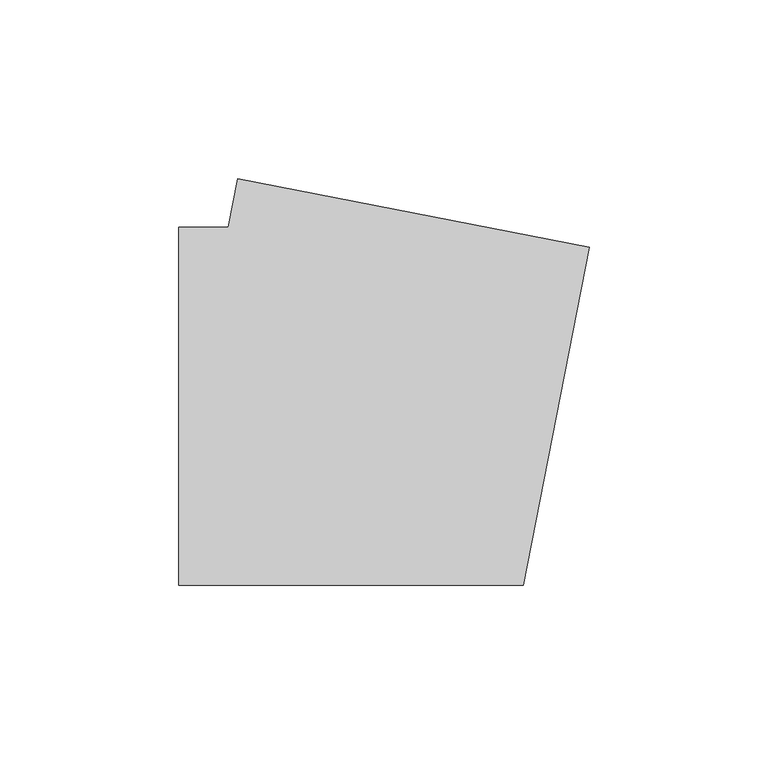
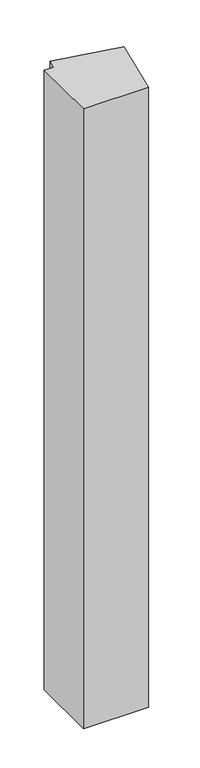
"""IFC4 building model written with IfcOpenShell, lengths in millimetres: member geometry."""

from ifc_helpers import new_model, si_unit, frame, origin, place, context, project, spatial, polyline, outline, extrude, source, transform, mapped, element, save


def member_dd081fa1(model_context):
    return source(origin(), model_context, "Body", "SweptSolid", [
        extrude(outline(polyline([(59.5758539, 44.4490453), (41.2168193, -50.0), (-55.0, -50.0), (-55.0, 50.0), (-41.2168193, 50.0), (-38.5868644, 63.5299449), (59.5758539, 44.4490453)])), frame((0.0, 0.0, -967.0), z_axis=(0.0, 0.0, 1.0), x_axis=(1.0, 0.0, 0.0)), (0.0, 0.0, 1.0), 967.0),
    ])


if __name__ == "__main__":
    model = new_model("IFC4")
    model_context = context("Model", 3, world=origin())
    ifc_project = project(units=[si_unit("LENGTHUNIT", "METRE", prefix="MILLI")], contexts=[model_context])
    site = spatial("IfcSite", under=ifc_project)
    building = spatial("IfcBuilding", under=site)
    placement = place(None, origin())
    member_shape = member_dd081fa1(model_context)
    element("IfcMember", 1, at=placement, inside=building, context=model_context, shape_type="MappedRepresentation", body=[
        mapped(member_shape, transform((0.0, 0.0, 0.0), x_axis=(1.0, 0.0, 0.0), y_axis=(0.0, 1.0, 0.0), z_axis=(0.0, 0.0, 1.0))),
    ])
    save(model, "model.ifc")
